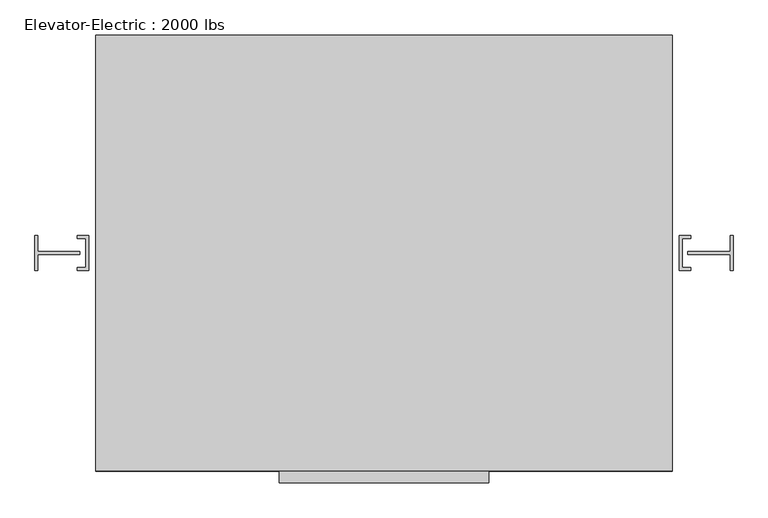
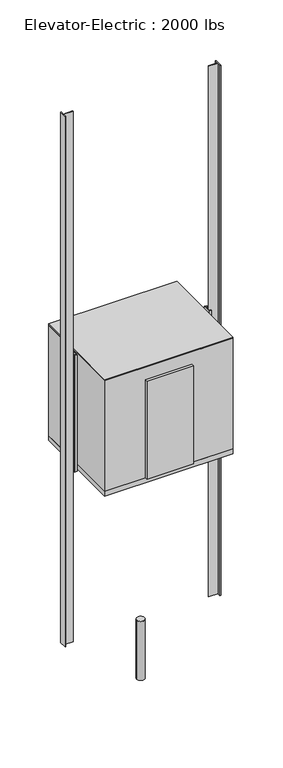
"""IFC4 building model written with IfcOpenShell, lengths in millimetres: proxy geometry, Elevator-Electric : 2000 lbs."""

from ifc_helpers import new_model, si_unit, point, frame, frame_2d, origin, origin_with_axes, place, context, project, spatial, polyline, circle_curve, trimmed, segment, composite_curve, outline, extrude, faceted_brep, source, transform, mapped, element, save


def elevator_electric_2000_lbs_e04ab7c2(model_context):
    return source(origin(), model_context, "Body", "SolidModel", [
        faceted_brep([(1264.7469965, 904.5218263, 5943.6), (-1249.8530035, 904.5218263, 5943.6), (-1249.8530035, -1000.4781737, 5943.6), (1264.7469965, -1000.4781737, 5943.6), (1226.6469965, 866.4218263, 5943.6), (1226.6469965, -962.3781737, 5943.6), (-1211.7530035, -962.3781737, 5943.6), (-1211.7530035, 866.4218263, 5943.6), (1226.6469965, 866.4218263, 3657.6), (-1211.7530035, 866.4218263, 3657.6), (-1211.7530035, -962.3781737, 3657.6), (-449.7530035, -962.3781737, 3657.6), (-449.7530035, -1000.4781737, 3657.6), (-1249.8530035, -1000.4781737, 3657.6), (-1249.8530035, 904.5218263, 3657.6), (1264.7469965, 904.5218263, 3657.6), (1264.7469965, -1000.4781737, 3657.6), (464.6469965, -1000.4781737, 3657.6), (464.6469965, -962.3781737, 3657.6), (1226.6469965, -962.3781737, 3657.6), (464.6469965, -962.3781737, 5689.6), (-449.7530035, -962.3781737, 5689.6), (-449.7530035, -1000.4781737, 5689.6), (464.6469965, -1000.4781737, 5689.6)], [[[0, 1, 2, 3], [4, 5, 6, 7]], [[8, 9, 10, 11, 12, 13, 14, 15, 16, 17, 18, 19]], [[5, 4, 8, 19]], [[6, 5, 19, 18, 20, 21, 11, 10]], [[7, 6, 10, 9]], [[4, 7, 9, 8]], [[1, 0, 15, 14]], [[2, 1, 14, 13]], [[3, 2, 13, 12, 22, 23, 17, 16]], [[0, 3, 16, 15]], [[20, 23, 22, 21]], [[21, 22, 12, 11]], [[23, 20, 18, 17]]]),
        extrude(outline(polyline([(464.6469965, -1000.4781737), (464.6469965, -1051.2781737), (-449.7530035, -1051.2781737), (-449.7530035, -1000.4781737), (464.6469965, -1000.4781737)])), frame((0.0, 0.0, 3657.6), z_axis=(0.0, 0.0, 1.0), x_axis=(1.0, 0.0, 0.0)), (0.0, 0.0, 1.0), 2032.0),
        extrude(outline(polyline([(1264.7469965, 904.5218263), (1264.7469965, -1000.4781737), (-1249.8530035, -1000.4781737), (-1249.8530035, 904.5218263), (1264.7469965, 904.5218263)])), frame((0.0, 0.0, 5943.6), z_axis=(0.0, 0.0, 1.0), x_axis=(1.0, 0.0, 0.0)), (0.0, 0.0, 1.0), 25.4),
        extrude(outline(composite_curve([segment(trimmed(circle_curve(frame_2d((7.4469965, -47.9781737)), 76.2), [point((-68.7530035, -47.9781737))], [point((83.6469965, -47.9781737))], False, "CARTESIAN"), True, "CONTINUOUS"), segment(trimmed(circle_curve(frame_2d((7.4469965, -47.9781737)), 76.2), [point((83.6469965, -47.9781737))], [point((-68.7530035, -47.9781737))], False, "CARTESIAN"), True, "CONTINUOUS")], self_intersect=False)), frame((0.0, 0.0, -1219.2), z_axis=(0.0, 0.0, 1.0), x_axis=(1.0, 0.0, 0.0)), (0.0, 0.0, 1.0), 1219.2),
        extrude(outline(polyline([(1264.7469965, 904.5218263), (1264.7469965, -1000.4781737), (-1249.8530035, -1000.4781737), (-1249.8530035, 904.5218263), (1264.7469965, 904.5218263)])), frame((0.0, 0.0, 3556.0), z_axis=(0.0, 0.0, 1.0), x_axis=(1.0, 0.0, 0.0)), (0.0, 0.0, 1.0), 101.6),
        extrude(outline(polyline([(-1281.6030035, 28.2218263), (-1281.6030035, -124.1781737), (-1332.4030035, -124.1781737), (-1332.4030035, -111.4781737), (-1294.3030035, -111.4781737), (-1294.3030035, 15.5218263), (-1332.4030035, 15.5218263), (-1332.4030035, 28.2218263), (-1281.6030035, 28.2218263)])), frame((0.0, 0.0, 3556.0), z_axis=(0.0, 0.0, 1.0), x_axis=(1.0, 0.0, 0.0)), (0.0, 0.0, 1.0), 2413.0),
        extrude(outline(polyline([(1296.4969965, 28.2218263), (1347.2969965, 28.2218263), (1347.2969965, 15.5218263), (1309.1969965, 15.5218263), (1309.1969965, -111.4781737), (1347.2969965, -111.4781737), (1347.2969965, -124.1781737), (1296.4969965, -124.1781737), (1296.4969965, 28.2218263)])), frame((0.0, 0.0, 3556.0), z_axis=(0.0, 0.0, 1.0), x_axis=(1.0, 0.0, 0.0)), (0.0, 0.0, 1.0), 2413.0),
        extrude(outline(polyline([(-1503.8530035, 28.2218263), (-1503.8530035, -41.6281737), (-1319.7030035, -41.6281737), (-1319.7030035, -54.3281737), (-1503.8530035, -54.3281737), (-1503.8530035, -124.1781737), (-1516.5530035, -124.1781737), (-1516.5530035, 28.2218263), (-1503.8530035, 28.2218263)])), origin_with_axes(), (0.0, 0.0, 1.0), 10972.8),
        extrude(outline(polyline([(1518.7469965, 28.2218263), (1531.4469965, 28.2218263), (1531.4469965, -124.1781737), (1518.7469965, -124.1781737), (1518.7469965, -54.3281737), (1334.5969965, -54.3281737), (1334.5969965, -41.6281737), (1518.7469965, -41.6281737), (1518.7469965, 28.2218263)])), origin_with_axes(), (0.0, 0.0, 1.0), 10972.8),
    ])


if __name__ == "__main__":
    model = new_model("IFC4")
    model_context = context("Model", 3, world=origin())
    ifc_project = project(units=[si_unit("LENGTHUNIT", "METRE", prefix="MILLI")], contexts=[model_context])
    site = spatial("IfcSite", under=ifc_project)
    building = spatial("IfcBuilding", under=site)
    placement = place(None, origin())
    elevator_electric_2000_lbs_shape = elevator_electric_2000_lbs_e04ab7c2(model_context)
    element("IfcBuildingElementProxy", 1, Name="Elevator-Electric : 2000 lbs", ObjectType="Elevator-Electric : 2000 lbs", at=placement, inside=building, context=model_context, shape_type="MappedRepresentation", body=[
        mapped(elevator_electric_2000_lbs_shape, transform((0.0, 0.0, 0.0), x_axis=(1.0, 0.0, 0.0), y_axis=(0.0, 1.0, 0.0), z_axis=(0.0, 0.0, 1.0))),
    ])
    save(model, "model.ifc")
